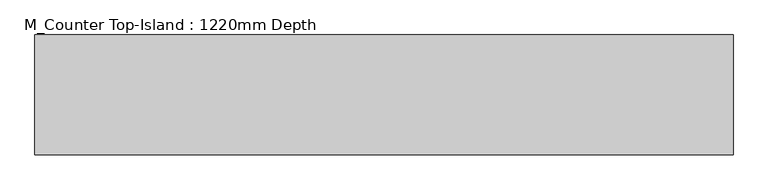
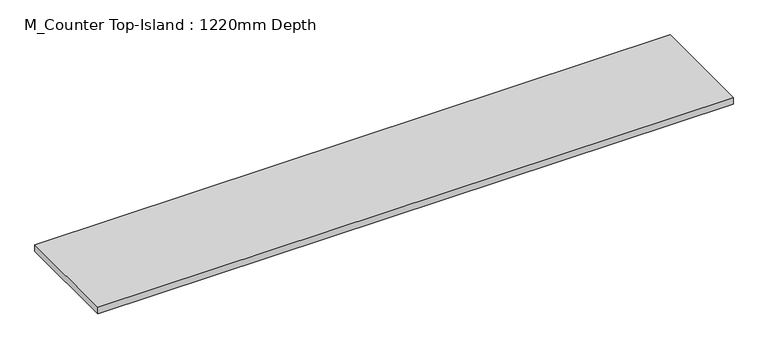
"""IFC4 building model written with IfcOpenShell, lengths in millimetres: furniture geometry, M_Counter Top-Island : 1220mm Depth."""

from ifc_helpers import new_model, si_unit, frame, origin, place, context, project, spatial, polyline, outline, extrude, source, transform, mapped, element, save


def m_counter_top_island_1220mm_depth_61c5d258(model_context):
    return source(origin(), model_context, "Body", "SweptSolid", [
        extrude(outline(polyline([(2439.5377049, -25.4), (-1200.4622951, -25.4), (-1200.4622951, 600.6631705), (2439.5377049, 600.6631705), (2439.5377049, -25.4)])), frame((0.0, 0.0, 860.0), z_axis=(0.0, 0.0, 1.0), x_axis=(1.0, 0.0, 0.0)), (0.0, 0.0, 1.0), 40.0),
    ])


if __name__ == "__main__":
    model = new_model("IFC4")
    model_context = context("Model", 3, world=origin())
    ifc_project = project(units=[si_unit("LENGTHUNIT", "METRE", prefix="MILLI")], contexts=[model_context])
    site = spatial("IfcSite", under=ifc_project)
    building = spatial("IfcBuilding", under=site)
    placement = place(None, origin())
    m_counter_top_island_1220mm_depth_shape = m_counter_top_island_1220mm_depth_61c5d258(model_context)
    element("IfcFurniture", 1, ObjectType="M_Counter Top-Island : 1220mm Depth", at=placement, inside=building, context=model_context, shape_type="MappedRepresentation", body=[
        mapped(m_counter_top_island_1220mm_depth_shape, transform((0.0, 0.0, 0.0), x_axis=(1.0, 0.0, 0.0), y_axis=(0.0, 1.0, 0.0), z_axis=(0.0, 0.0, 1.0))),
    ])
    save(model, "model.ifc")
